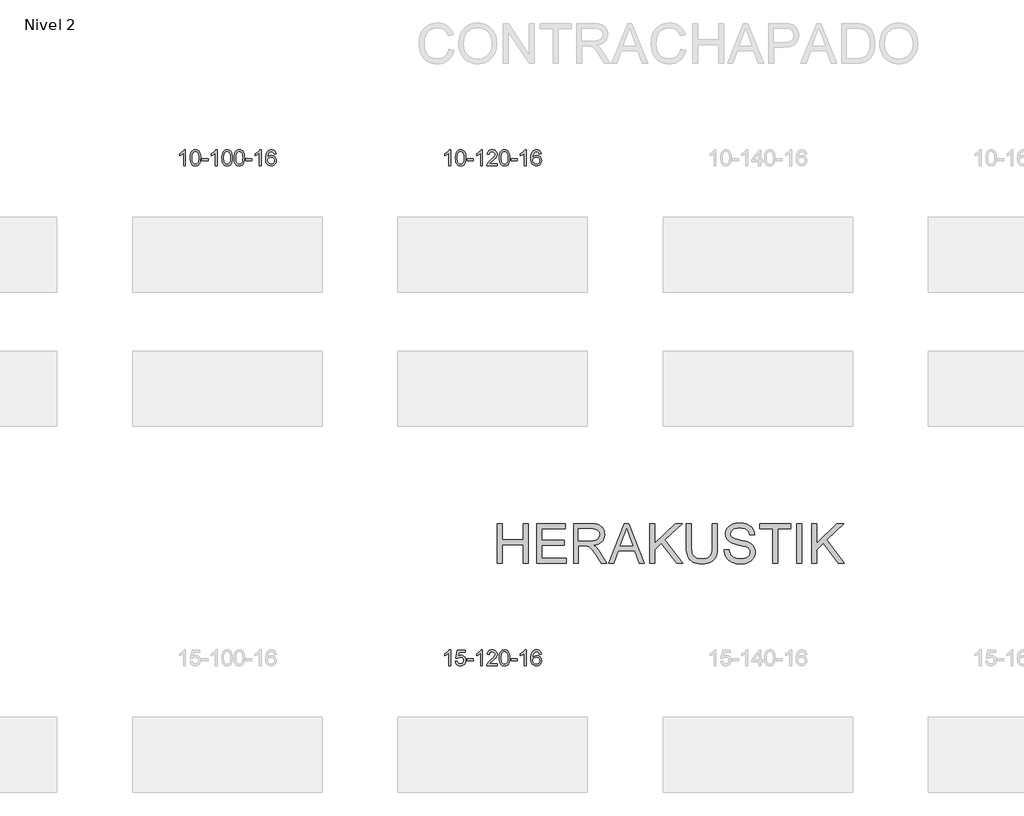
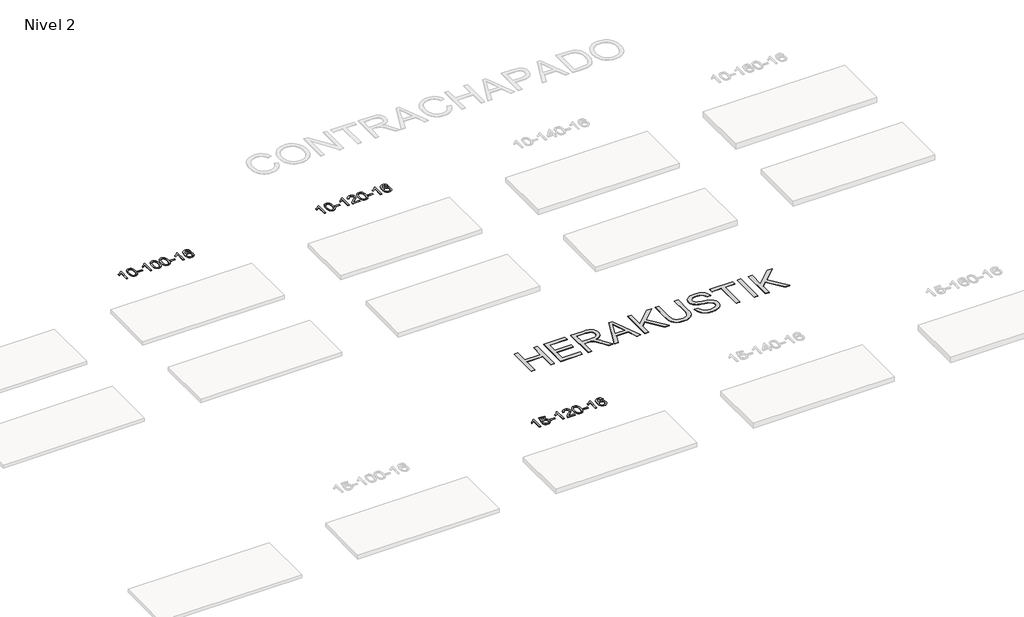
# One storey, part 33 of 51: 4 proxies.
"""IFC4 building model written with IfcOpenShell, lengths in millimetres."""

from ifc_helpers import new_model, si_unit, frame, origin, place, context, project, spatial, polyline, outline, extrude, element, save

model = new_model("IFC4")

# Units and contexts
model_context = context("Model", 3, world=origin())
ifc_project = project(units=[si_unit("LENGTHUNIT", "METRE", prefix="MILLI")], contexts=[model_context])

# Site, building, storey
site = spatial("IfcSite", under=ifc_project)
building = spatial("IfcBuilding", under=site)
storey = spatial("IfcBuildingStorey", under=building, Name="Nivel 2", Elevation=3000.0)

# Proxies
placement = place(None, origin())
element("IfcBuildingElementProxy", 1, Name="Texto de modelo 1", ObjectType="Texto de modelo 1", at=placement, inside=storey, context=model_context, shape_type="SweptSolid", body=[
    extrude(outline(polyline([(18100.6728146, -64430.3053468), (18050.4446595, -64430.3053468), (18050.4446595, -64117.1641925), (18029.4753858, -64134.1235525), (18002.8652548, -64151.058387), (17949.9883493, -64176.4177192), (17949.9883493, -64128.9364164), (17989.437562, -64107.4766333), (18023.6137993, -64081.9456229), (18050.5550241, -64054.7959316), (18068.299199, -64028.4801062), (18100.6728146, -64028.4801062), (18100.6728146, -64430.3053468)])), frame((0.0, 0.0, 3000.0), z_axis=(0.0, 0.0, 1.0), x_axis=(1.0, 0.0, 0.0)), (0.0, 0.0, 1.0), 10.0),
    extrude(outline(polyline([(18219.9646829, -64232.6300881), (18223.6557656, -64168.3120526), (18234.7290136, -64117.0170397), (18253.0740624, -64077.9602346), (18264.9321254, -64062.7268543), (18278.5805474, -64050.3568222), (18294.0653137, -64040.785759), (18311.4324096, -64033.9492852), (18351.8135899, -64028.4801062), (18382.7647285, -64031.7174678), (18410.4785054, -64041.4295525), (18433.6550711, -64057.2362155), (18450.9945758, -64078.7573122), (18464.0911749, -64105.8089016), (18474.5390235, -64138.2070427), (18481.3816286, -64179.3485125), (18483.662497, -64232.6300881), (18480.0082025, -64296.5802416), (18469.0453191, -64347.7526271), (18450.8106348, -64386.8462205), (18438.980163, -64402.125586), (18425.340938, -64414.5599974), (18409.8377776, -64424.19544), (18392.4154995, -64431.077899), (18351.8135899, -64436.5838662), (18324.1488639, -64434.1926333), (18299.6233976, -64427.0189343), (18278.2371909, -64415.0627695), (18259.9902439, -64398.3241387), (18242.479061, -64368.0658446), (18229.9710731, -64330.3640715), (18222.4662804, -64285.2188193), (18219.9646829, -64232.6300881)]), holes=[polyline([(18270.1928379, -64232.5319862), (18271.6643659, -64276.1965134), (18276.0789499, -64311.5407761), (18283.4365898, -64338.5647743), (18293.7372856, -64357.2685081), (18306.1962225, -64369.9941594), (18320.0285856, -64379.0839104), (18335.2343747, -64384.537761), (18351.8135899, -64386.3557111), (18368.3928052, -64384.5316296), (18383.5985943, -64379.0593849), (18397.4309573, -64369.9389771), (18409.8898942, -64357.1704062), (18420.1905901, -64338.4360156), (18427.54823, -64311.4181487), (18431.962814, -64276.1168056), (18433.4343419, -64232.5319862), (18432.0118649, -64190.0232217), (18427.7444337, -64155.3012927), (18420.6320485, -64128.3661993), (18410.6747092, -64109.2179414), (18398.4242387, -64095.8699564), (18384.4324602, -64086.3356813), (18368.6993735, -64080.6151163), (18351.2249787, -64078.7082613), (18334.7316026, -64080.3882558), (18319.7833309, -64085.4282391), (18306.3801635, -64093.8282113), (18294.5221006, -64105.5881724), (18283.8780482, -64126.4348188), (18276.2751536, -64154.5410033), (18271.7134169, -64189.9067257), (18270.1928379, -64232.5319862)])]), frame((0.0, 0.0, 3000.0), z_axis=(0.0, 0.0, 1.0), x_axis=(1.0, 0.0, 0.0)), (0.0, 0.0, 1.0), 10.0),
    extrude(outline(polyline([(18515.0550939, -64311.0134785), (18515.0550939, -64260.7853235), (18672.0180785, -64260.7853235), (18672.0180785, -64311.0134785), (18515.0550939, -64311.0134785)])), frame((0.0, 0.0, 3000.0), z_axis=(0.0, 0.0, 1.0), x_axis=(1.0, 0.0, 0.0)), (0.0, 0.0, 1.0), 10.0),
    extrude(outline(polyline([(18904.3232958, -64430.3053468), (18854.0951407, -64430.3053468), (18854.0951407, -64117.1641925), (18833.125867, -64134.1235525), (18806.515736, -64151.058387), (18753.6388305, -64176.4177192), (18753.6388305, -64128.9364164), (18793.0880432, -64107.4766333), (18827.2642805, -64081.9456229), (18854.2055053, -64054.7959316), (18871.9496802, -64028.4801062), (18904.3232958, -64028.4801062), (18904.3232958, -64430.3053468)])), frame((0.0, 0.0, 3000.0), z_axis=(0.0, 0.0, 1.0), x_axis=(1.0, 0.0, 0.0)), (0.0, 0.0, 1.0), 10.0),
    extrude(outline(polyline([(19023.6151641, -64232.6300881), (19027.3062467, -64168.3120526), (19038.3794948, -64117.0170397), (19056.7245436, -64077.9602346), (19068.5826066, -64062.7268543), (19082.2310286, -64050.3568222), (19097.7157949, -64040.785759), (19115.0828908, -64033.9492852), (19155.4640711, -64028.4801062), (19186.4152097, -64031.7174678), (19214.1289866, -64041.4295525), (19237.3055523, -64057.2362155), (19254.645057, -64078.7573122), (19267.7416561, -64105.8089016), (19278.1895047, -64138.2070427), (19285.0321098, -64179.3485125), (19287.3129782, -64232.6300881), (19283.6586837, -64296.5802416), (19272.6958003, -64347.7526271), (19254.461116, -64386.8462205), (19242.6306442, -64402.125586), (19228.9914192, -64414.5599974), (19213.4882588, -64424.19544), (19196.0659807, -64431.077899), (19155.4640711, -64436.5838662), (19127.7993451, -64434.1926333), (19103.2738788, -64427.0189343), (19081.8876721, -64415.0627695), (19063.6407251, -64398.3241387), (19046.1295422, -64368.0658446), (19033.6215543, -64330.3640715), (19026.1167616, -64285.2188193), (19023.6151641, -64232.6300881)]), holes=[polyline([(19073.8433191, -64232.5319862), (19075.3148471, -64276.1965134), (19079.7294311, -64311.5407761), (19087.087071, -64338.5647743), (19097.3877668, -64357.2685081), (19109.8467037, -64369.9941594), (19123.6790668, -64379.0839104), (19138.8848559, -64384.537761), (19155.4640711, -64386.3557111), (19172.0432864, -64384.5316296), (19187.2490755, -64379.0593849), (19201.0814385, -64369.9389771), (19213.5403754, -64357.1704062), (19223.8410713, -64338.4360156), (19231.1987112, -64311.4181487), (19235.6132951, -64276.1168056), (19237.0848231, -64232.5319862), (19235.6623461, -64190.0232217), (19231.3949149, -64155.3012927), (19224.2825297, -64128.3661993), (19214.3251904, -64109.2179414), (19202.0747199, -64095.8699564), (19188.0829414, -64086.3356813), (19172.3498547, -64080.6151163), (19154.8754599, -64078.7082613), (19138.3820838, -64080.3882558), (19123.4338121, -64085.4282391), (19110.0306447, -64093.8282113), (19098.1725818, -64105.5881724), (19087.5285294, -64126.4348188), (19079.9256348, -64154.5410033), (19075.3638981, -64189.9067257), (19073.8433191, -64232.5319862)])]), frame((0.0, 0.0, 3000.0), z_axis=(0.0, 0.0, 1.0), x_axis=(1.0, 0.0, 0.0)), (0.0, 0.0, 1.0), 10.0),
    extrude(outline(polyline([(19331.2626139, -64232.6300881), (19334.9536966, -64168.3120526), (19346.0269446, -64117.0170397), (19364.3719935, -64077.9602346), (19376.2300564, -64062.7268543), (19389.8784785, -64050.3568222), (19405.3632448, -64040.785759), (19422.7303406, -64033.9492852), (19463.111521, -64028.4801062), (19494.0626595, -64031.7174678), (19521.7764365, -64041.4295525), (19544.9530022, -64057.2362155), (19562.2925069, -64078.7573122), (19575.3891059, -64105.8089016), (19585.8369546, -64138.2070427), (19592.6795597, -64179.3485125), (19594.960428, -64232.6300881), (19591.3061336, -64296.5802416), (19580.3432501, -64347.7526271), (19562.1085659, -64386.8462205), (19550.278094, -64402.125586), (19536.6388691, -64414.5599974), (19521.1357087, -64424.19544), (19503.7134305, -64431.077899), (19463.111521, -64436.5838662), (19435.4467949, -64434.1926333), (19410.9213286, -64427.0189343), (19389.5351219, -64415.0627695), (19371.288175, -64398.3241387), (19353.776992, -64368.0658446), (19341.2690042, -64330.3640715), (19333.7642115, -64285.2188193), (19331.2626139, -64232.6300881)]), holes=[polyline([(19381.490769, -64232.5319862), (19382.962297, -64276.1965134), (19387.3768809, -64311.5407761), (19394.7345208, -64338.5647743), (19405.0352167, -64357.2685081), (19417.4941536, -64369.9941594), (19431.3265166, -64379.0839104), (19446.5323057, -64384.537761), (19463.111521, -64386.3557111), (19479.6907362, -64384.5316296), (19494.8965253, -64379.0593849), (19508.7288884, -64369.9389771), (19521.1878253, -64357.1704062), (19531.4885211, -64338.4360156), (19538.846161, -64311.4181487), (19543.260745, -64276.1168056), (19544.732273, -64232.5319862), (19543.3097959, -64190.0232217), (19539.0423648, -64155.3012927), (19531.9299795, -64128.3661993), (19521.9726402, -64109.2179414), (19509.7221698, -64095.8699564), (19495.7303912, -64086.3356813), (19479.9973045, -64080.6151163), (19462.5229098, -64078.7082613), (19446.0295337, -64080.3882558), (19431.0812619, -64085.4282391), (19417.6780946, -64093.8282113), (19405.8200316, -64105.5881724), (19395.1759792, -64126.4348188), (19387.5730846, -64154.5410033), (19383.0113479, -64189.9067257), (19381.490769, -64232.5319862)])]), frame((0.0, 0.0, 3000.0), z_axis=(0.0, 0.0, 1.0), x_axis=(1.0, 0.0, 0.0)), (0.0, 0.0, 1.0), 10.0),
    extrude(outline(polyline([(19626.353025, -64311.0134785), (19626.353025, -64260.7853235), (19783.3160096, -64260.7853235), (19783.3160096, -64311.0134785), (19626.353025, -64311.0134785)])), frame((0.0, 0.0, 3000.0), z_axis=(0.0, 0.0, 1.0), x_axis=(1.0, 0.0, 0.0)), (0.0, 0.0, 1.0), 10.0),
    extrude(outline(polyline([(20015.6212268, -64430.3053468), (19965.3930717, -64430.3053468), (19965.3930717, -64117.1641925), (19944.423798, -64134.1235525), (19917.813667, -64151.058387), (19864.9367616, -64176.4177192), (19864.9367616, -64128.9364164), (19904.3859742, -64107.4766333), (19938.5622115, -64081.9456229), (19965.5034363, -64054.7959316), (19983.2476112, -64028.4801062), (20015.6212268, -64028.4801062), (20015.6212268, -64430.3053468)])), frame((0.0, 0.0, 3000.0), z_axis=(0.0, 0.0, 1.0), x_axis=(1.0, 0.0, 0.0)), (0.0, 0.0, 1.0), 10.0),
    extrude(outline(polyline([(20392.3323899, -64135.2149358), (20342.1042348, -64141.4934552), (20334.0108309, -64116.6001068), (20323.0724729, -64099.6039586), (20300.2883147, -64083.9321856), (20272.746216, -64078.7082613), (20249.397972, -64081.7494191), (20227.4231541, -64090.8728926), (20208.5508078, -64110.0885955), (20193.1365522, -64136.539311), (20182.7254917, -64173.9529099), (20178.8627308, -64226.0572631), (20199.0104014, -64202.5496036), (20223.155723, -64185.9826511), (20249.949795, -64176.1602018), (20278.0437167, -64172.8860521), (20302.1767756, -64175.1240009), (20324.445899, -64181.8378473), (20344.851087, -64193.0275913), (20363.3923396, -64208.6932329), (20378.8004638, -64227.9028045), (20389.8062668, -64249.7243381), (20396.4097486, -64274.157834), (20398.6109092, -64301.203292), (20394.4661054, -64337.1698884), (20382.031694, -64370.5122599), (20362.3377445, -64398.7901226), (20336.4143266, -64419.5631926), (20305.4386626, -64432.3286978), (20270.5879749, -64436.5838662), (20240.6454462, -64433.7634376), (20213.6030539, -64425.3021517), (20189.4607979, -64411.2000086), (20168.2186784, -64391.4570081), (20150.9006335, -64365.2392846), (20138.5306014, -64331.7129721), (20131.1085821, -64290.8780707), (20128.6345757, -64242.7345802), (20131.3814279, -64188.7601602), (20139.6219846, -64142.695203), (20153.3562458, -64104.5397087), (20172.5842114, -64074.2936774), (20193.4247264, -64054.25024), (20217.5884421, -64039.933499), (20245.0753585, -64031.3434544), (20275.8854756, -64028.4801062), (20299.0191218, -64030.2520712), (20319.9577387, -64035.567966), (20338.7013263, -64044.4277907), (20355.2498847, -64056.8315453), (20369.1558242, -64072.3622969), (20379.9715548, -64090.6031125), (20387.6970767, -64111.5539921), (20392.3323899, -64135.2149358)]), holes=[polyline([(20178.8627308, -64300.4184771), (20181.7689985, -64322.6753378), (20190.4878018, -64343.9266544), (20204.0258593, -64362.1981268), (20221.3898894, -64375.515455), (20242.3469004, -64383.6456471), (20266.6639003, -64386.3557111), (20299.8100681, -64380.7393794), (20313.7252045, -64373.7189646), (20325.8683761, -64363.890384), (20335.7184165, -64351.6521763), (20342.7541596, -64337.4028803), (20348.3827542, -64302.8710237), (20342.827736, -64269.7248559), (20335.8839634, -64256.1040251), (20326.1626817, -64244.4513629), (20313.9827219, -64235.1163572), (20299.6629153, -64228.4484961), (20264.6037611, -64223.1142072), (20231.5066443, -64228.4484961), (20203.8296555, -64244.4513629), (20192.9066259, -64255.9507409), (20185.104462, -64269.1117193), (20180.4231636, -64283.934298), (20178.8627308, -64300.4184771)])]), frame((0.0, 0.0, 3000.0), z_axis=(0.0, 0.0, 1.0), x_axis=(1.0, 0.0, 0.0)), (0.0, 0.0, 1.0), 10.0),
])
element("IfcBuildingElementProxy", 2, Name="Texto de modelo 1", ObjectType="Texto de modelo 1", at=placement, inside=storey, context=model_context, shape_type="SweptSolid", body=[
    extrude(outline(polyline([(24815.6133494, -64430.3053468), (24765.3851943, -64430.3053468), (24765.3851943, -64117.1641925), (24744.4159206, -64134.1235525), (24717.8057896, -64151.058387), (24664.9288842, -64176.4177192), (24664.9288842, -64128.9364164), (24704.3780968, -64107.4766333), (24738.5543341, -64081.9456229), (24765.4955589, -64054.7959316), (24783.2397338, -64028.4801062), (24815.6133494, -64028.4801062), (24815.6133494, -64430.3053468)])), frame((0.0, 0.0, 3000.0), z_axis=(0.0, 0.0, 1.0), x_axis=(1.0, 0.0, 0.0)), (0.0, 0.0, 1.0), 10.0),
    extrude(outline(polyline([(24934.9052177, -64232.6300881), (24938.5963004, -64168.3120526), (24949.6695484, -64117.0170397), (24968.0145973, -64077.9602346), (24979.8726602, -64062.7268543), (24993.5210823, -64050.3568222), (25009.0058486, -64040.785759), (25026.3729444, -64033.9492852), (25066.7541248, -64028.4801062), (25097.7052633, -64031.7174678), (25125.4190403, -64041.4295525), (25148.595606, -64057.2362155), (25165.9351107, -64078.7573122), (25179.0317097, -64105.8089016), (25189.4795584, -64138.2070427), (25196.3221635, -64179.3485125), (25198.6030318, -64232.6300881), (25194.9487373, -64296.5802416), (25183.9858539, -64347.7526271), (25165.7511697, -64386.8462205), (25153.9206978, -64402.125586), (25140.2814729, -64414.5599974), (25124.7783125, -64424.19544), (25107.3560343, -64431.077899), (25066.7541248, -64436.5838662), (25039.0893987, -64434.1926333), (25014.5639324, -64427.0189343), (24993.1777257, -64415.0627695), (24974.9307788, -64398.3241387), (24957.4195958, -64368.0658446), (24944.911608, -64330.3640715), (24937.4068153, -64285.2188193), (24934.9052177, -64232.6300881)]), holes=[polyline([(24985.1333728, -64232.5319862), (24986.6049007, -64276.1965134), (24991.0194847, -64311.5407761), (24998.3771246, -64338.5647743), (25008.6778205, -64357.2685081), (25021.1367574, -64369.9941594), (25034.9691204, -64379.0839104), (25050.1749095, -64384.537761), (25066.7541248, -64386.3557111), (25083.33334, -64384.5316296), (25098.5391291, -64379.0593849), (25112.3714922, -64369.9389771), (25124.8304291, -64357.1704062), (25135.1311249, -64338.4360156), (25142.4887648, -64311.4181487), (25146.9033488, -64276.1168056), (25148.3748768, -64232.5319862), (25146.9523997, -64190.0232217), (25142.6849686, -64155.3012927), (25135.5725833, -64128.3661993), (25125.615244, -64109.2179414), (25113.3647735, -64095.8699564), (25099.372995, -64086.3356813), (25083.6399083, -64080.6151163), (25066.1655136, -64078.7082613), (25049.6721375, -64080.3882558), (25034.7238657, -64085.4282391), (25021.3206984, -64093.8282113), (25009.4626354, -64105.5881724), (24998.818583, -64126.4348188), (24991.2156884, -64154.5410033), (24986.6539517, -64189.9067257), (24985.1333728, -64232.5319862)])]), frame((0.0, 0.0, 3000.0), z_axis=(0.0, 0.0, 1.0), x_axis=(1.0, 0.0, 0.0)), (0.0, 0.0, 1.0), 10.0),
    extrude(outline(polyline([(25229.9956288, -64311.0134785), (25229.9956288, -64260.7853235), (25386.9586134, -64260.7853235), (25386.9586134, -64311.0134785), (25229.9956288, -64311.0134785)])), frame((0.0, 0.0, 3000.0), z_axis=(0.0, 0.0, 1.0), x_axis=(1.0, 0.0, 0.0)), (0.0, 0.0, 1.0), 10.0),
    extrude(outline(polyline([(25619.2638306, -64430.3053468), (25569.0356755, -64430.3053468), (25569.0356755, -64117.1641925), (25548.0664018, -64134.1235525), (25521.4562708, -64151.058387), (25468.5793654, -64176.4177192), (25468.5793654, -64128.9364164), (25508.028578, -64107.4766333), (25542.2048153, -64081.9456229), (25569.1460401, -64054.7959316), (25586.890215, -64028.4801062), (25619.2638306, -64028.4801062), (25619.2638306, -64430.3053468)])), frame((0.0, 0.0, 3000.0), z_axis=(0.0, 0.0, 1.0), x_axis=(1.0, 0.0, 0.0)), (0.0, 0.0, 1.0), 10.0),
    extrude(outline(polyline([(25995.9749936, -64380.0771918), (25995.9749936, -64430.3053468), (25732.2771795, -64430.3053468), (25733.3808255, -64412.6224856), (25737.6727821, -64395.6753884), (25750.0581426, -64368.6115362), (25768.1824622, -64342.3570245), (25794.4001858, -64314.8762395), (25831.0657579, -64284.1335674), (25885.2670386, -64235.990077), (25917.7878069, -64200.4526763), (25934.0481911, -64171.6107278), (25939.4683192, -64143.5535943), (25934.3547595, -64118.4027286), (25919.0140803, -64097.4947685), (25895.4328444, -64083.4048881), (25865.5976146, -64078.7082613), (25834.2663313, -64083.2945235), (25809.924806, -64097.0533101), (25794.2162448, -64118.9055007), (25788.783854, -64147.7719745), (25738.5556989, -64141.4934552), (25742.8752466, -64115.5639059), (25750.7325929, -64092.9085063), (25762.1277377, -64073.5272565), (25777.060681, -64057.4201565), (25795.1880664, -64044.7588845), (25816.1665371, -64035.7151188), (25839.9960934, -64030.2888594), (25866.6767351, -64028.4801062), (25893.5965001, -64030.4911945), (25917.554815, -64036.5244592), (25938.5516799, -64046.5799004), (25956.5870947, -64060.6575181), (25971.0724483, -64077.7149799), (25981.4191294, -64096.7099536), (25987.627138, -64117.6424391), (25989.6964743, -64140.5124365), (25987.4646568, -64164.5351308), (25980.7692045, -64188.1408921), (25968.8866161, -64212.1513237), (25951.0933902, -64237.3880286), (25922.7296884, -64267.517564), (25879.135672, -64306.2064871), (25821.3536733, -64354.5216558), (25798.6921424, -64380.0771918), (25995.9749936, -64380.0771918)])), frame((0.0, 0.0, 3000.0), z_axis=(0.0, 0.0, 1.0), x_axis=(1.0, 0.0, 0.0)), (0.0, 0.0, 1.0), 10.0),
    extrude(outline(polyline([(26046.2031487, -64232.6300881), (26049.8942314, -64168.3120526), (26060.9674795, -64117.0170397), (26079.3125283, -64077.9602346), (26091.1705913, -64062.7268543), (26104.8190133, -64050.3568222), (26120.3037796, -64040.785759), (26137.6708755, -64033.9492852), (26178.0520558, -64028.4801062), (26209.0031943, -64031.7174678), (26236.7169713, -64041.4295525), (26259.893537, -64057.2362155), (26277.2330417, -64078.7573122), (26290.3296407, -64105.8089016), (26300.7774894, -64138.2070427), (26307.6200945, -64179.3485125), (26309.9009629, -64232.6300881), (26306.2466684, -64296.5802416), (26295.2837849, -64347.7526271), (26277.0491007, -64386.8462205), (26265.2186289, -64402.125586), (26251.5794039, -64414.5599974), (26236.0762435, -64424.19544), (26218.6539653, -64431.077899), (26178.0520558, -64436.5838662), (26150.3873298, -64434.1926333), (26125.8618634, -64427.0189343), (26104.4756568, -64415.0627695), (26086.2287098, -64398.3241387), (26068.7175268, -64368.0658446), (26056.209539, -64330.3640715), (26048.7047463, -64285.2188193), (26046.2031487, -64232.6300881)]), holes=[polyline([(26096.4313038, -64232.5319862), (26097.9028318, -64276.1965134), (26102.3174157, -64311.5407761), (26109.6750556, -64338.5647743), (26119.9757515, -64357.2685081), (26132.4346884, -64369.9941594), (26146.2670514, -64379.0839104), (26161.4728405, -64384.537761), (26178.0520558, -64386.3557111), (26194.631271, -64384.5316296), (26209.8370602, -64379.0593849), (26223.6694232, -64369.9389771), (26236.1283601, -64357.1704062), (26246.429056, -64338.4360156), (26253.7866959, -64311.4181487), (26258.2012798, -64276.1168056), (26259.6728078, -64232.5319862), (26258.2503307, -64190.0232217), (26253.9828996, -64155.3012927), (26246.8705144, -64128.3661993), (26236.913175, -64109.2179414), (26224.6627046, -64095.8699564), (26210.670926, -64086.3356813), (26194.9378394, -64080.6151163), (26177.4634446, -64078.7082613), (26160.9700685, -64080.3882558), (26146.0217967, -64085.4282391), (26132.6186294, -64093.8282113), (26120.7605664, -64105.5881724), (26110.116514, -64126.4348188), (26102.5136194, -64154.5410033), (26097.9518827, -64189.9067257), (26096.4313038, -64232.5319862)])]), frame((0.0, 0.0, 3000.0), z_axis=(0.0, 0.0, 1.0), x_axis=(1.0, 0.0, 0.0)), (0.0, 0.0, 1.0), 10.0),
    extrude(outline(polyline([(26341.2935598, -64311.0134785), (26341.2935598, -64260.7853235), (26498.2565444, -64260.7853235), (26498.2565444, -64311.0134785), (26341.2935598, -64311.0134785)])), frame((0.0, 0.0, 3000.0), z_axis=(0.0, 0.0, 1.0), x_axis=(1.0, 0.0, 0.0)), (0.0, 0.0, 1.0), 10.0),
    extrude(outline(polyline([(26730.5617616, -64430.3053468), (26680.3336065, -64430.3053468), (26680.3336065, -64117.1641925), (26659.3643328, -64134.1235525), (26632.7542018, -64151.058387), (26579.8772964, -64176.4177192), (26579.8772964, -64128.9364164), (26619.326509, -64107.4766333), (26653.5027464, -64081.9456229), (26680.4439711, -64054.7959316), (26698.188146, -64028.4801062), (26730.5617616, -64028.4801062), (26730.5617616, -64430.3053468)])), frame((0.0, 0.0, 3000.0), z_axis=(0.0, 0.0, 1.0), x_axis=(1.0, 0.0, 0.0)), (0.0, 0.0, 1.0), 10.0),
    extrude(outline(polyline([(27107.2729247, -64135.2149358), (27057.0447696, -64141.4934552), (27048.9513657, -64116.6001068), (27038.0130077, -64099.6039586), (27015.2288495, -64083.9321856), (26987.6867508, -64078.7082613), (26964.3385068, -64081.7494191), (26942.363689, -64090.8728926), (26923.4913426, -64110.0885955), (26908.077087, -64136.539311), (26897.6660266, -64173.9529099), (26893.8032656, -64226.0572631), (26913.9509362, -64202.5496036), (26938.0962578, -64185.9826511), (26964.8903298, -64176.1602018), (26992.9842515, -64172.8860521), (27017.1173104, -64175.1240009), (27039.3864338, -64181.8378473), (27059.7916218, -64193.0275913), (27078.3328744, -64208.6932329), (27093.7409986, -64227.9028045), (27104.7468016, -64249.7243381), (27111.3502835, -64274.157834), (27113.5514441, -64301.203292), (27109.4066402, -64337.1698884), (27096.9722288, -64370.5122599), (27077.2782793, -64398.7901226), (27051.3548614, -64419.5631926), (27020.3791974, -64432.3286978), (26985.5285097, -64436.5838662), (26955.585981, -64433.7634376), (26928.5435887, -64425.3021517), (26904.4013328, -64411.2000086), (26883.1592132, -64391.4570081), (26865.8411683, -64365.2392846), (26853.4711362, -64331.7129721), (26846.0491169, -64290.8780707), (26843.5751105, -64242.7345802), (26846.3219628, -64188.7601602), (26854.5625195, -64142.695203), (26868.2967806, -64104.5397087), (26887.5247462, -64074.2936774), (26908.3652612, -64054.25024), (26932.528977, -64039.933499), (26960.0158934, -64031.3434544), (26990.8260105, -64028.4801062), (27013.9596566, -64030.2520712), (27034.8982735, -64035.567966), (27053.6418611, -64044.4277907), (27070.1904196, -64056.8315453), (27084.096359, -64072.3622969), (27094.9120896, -64090.6031125), (27102.6376115, -64111.5539921), (27107.2729247, -64135.2149358)]), holes=[polyline([(26893.8032656, -64300.4184771), (26896.7095334, -64322.6753378), (26905.4283367, -64343.9266544), (26918.9663941, -64362.1981268), (26936.3304242, -64375.515455), (26957.2874352, -64383.6456471), (26981.6044351, -64386.3557111), (27014.7506029, -64380.7393794), (27028.6657394, -64373.7189646), (27040.8089109, -64363.890384), (27050.6589513, -64351.6521763), (27057.6946945, -64337.4028803), (27063.323289, -64302.8710237), (27057.7682709, -64269.7248559), (27050.8244982, -64256.1040251), (27041.1032165, -64244.4513629), (27028.9232568, -64235.1163572), (27014.6034501, -64228.4484961), (26979.5442959, -64223.1142072), (26946.4471791, -64228.4484961), (26918.7701903, -64244.4513629), (26907.8471608, -64255.9507409), (26900.0449968, -64269.1117193), (26895.3636984, -64283.934298), (26893.8032656, -64300.4184771)])]), frame((0.0, 0.0, 3000.0), z_axis=(0.0, 0.0, 1.0), x_axis=(1.0, 0.0, 0.0)), (0.0, 0.0, 1.0), 10.0),
])
element("IfcBuildingElementProxy", 3, Name="Texto de modelo 1", ObjectType="Texto de modelo 1", at=placement, inside=storey, context=model_context, shape_type="SweptSolid", body=[
    extrude(outline(polyline([(24815.6133494, -77088.6860497), (24765.3851943, -77088.6860497), (24765.3851943, -76775.5448954), (24744.4159206, -76792.5042554), (24717.8057896, -76809.4390899), (24664.9288842, -76834.7984221), (24664.9288842, -76787.3171193), (24704.3780968, -76765.8573362), (24738.5543341, -76740.3263258), (24765.4955589, -76713.1766345), (24783.2397338, -76686.8608091), (24815.6133494, -76686.8608091), (24815.6133494, -77088.6860497)])), frame((0.0, 0.0, 3000.0), z_axis=(0.0, 0.0, 1.0), x_axis=(1.0, 0.0, 0.0)), (0.0, 0.0, 1.0), 10.0),
    extrude(outline(polyline([(24934.9052177, -76981.9512202), (24985.1333728, -76975.6727008), (24994.3549481, -77005.8267617), (25010.443654, -77027.4214348), (25033.3259141, -77040.4076692), (25062.928152, -77044.736414), (25082.0580158, -77043.2311636), (25098.9315366, -77038.7154121), (25113.5487145, -77031.1891596), (25125.9095496, -77020.6524061), (25135.7381302, -77007.6263178), (25142.758545, -76992.6320608), (25148.3748768, -76956.7390408), (25143.1141642, -76922.9429482), (25136.5382736, -76909.024746), (25127.3320266, -76897.0931066), (25115.4647666, -76887.5220434), (25100.9058366, -76880.6855697), (25063.7129669, -76875.2163907), (25039.3469161, -76877.3991572), (25019.6161784, -76883.9474567), (25003.8585663, -76893.9783724), (24991.4118921, -76906.6089876), (24941.1837371, -76900.3304682), (24985.1333728, -76693.1393285), (25179.7674737, -76693.1393285), (25179.7674737, -76743.3674836), (25025.747545, -76743.3674836), (25004.2632365, -76854.0263877), (25021.9890173, -76841.3221962), (25040.1439938, -76832.2477736), (25058.7281659, -76826.8031201), (25077.7415337, -76824.9882356), (25102.2026207, -76827.2384471), (25124.6710135, -76833.9890817), (25145.1467122, -76845.2401394), (25163.6297168, -76860.9916202), (25178.9305421, -76880.2808995), (25189.8597031, -76902.1453527), (25196.4171996, -76926.5849799), (25198.6030318, -76953.5997811), (25196.6348632, -76979.6213009), (25190.7303571, -77003.8279362), (25180.8895138, -77026.219687), (25167.112333, -77046.7965532), (25146.2411612, -77067.8700602), (25121.8873731, -77082.9225651), (25094.0509688, -77091.9540681), (25062.7319483, -77094.9645691), (25036.811596, -77093.030123), (25013.3989727, -77087.2267845), (24992.4940784, -77077.5545537), (24974.0969129, -77064.0134306), (24958.7899562, -77047.2778655), (24947.1556881, -77028.0223087), (24939.1941086, -77006.2467603), (24934.9052177, -76981.9512202)])), frame((0.0, 0.0, 3000.0), z_axis=(0.0, 0.0, 1.0), x_axis=(1.0, 0.0, 0.0)), (0.0, 0.0, 1.0), 10.0),
    extrude(outline(polyline([(25229.9956288, -76969.3941814), (25229.9956288, -76919.1660264), (25386.9586134, -76919.1660264), (25386.9586134, -76969.3941814), (25229.9956288, -76969.3941814)])), frame((0.0, 0.0, 3000.0), z_axis=(0.0, 0.0, 1.0), x_axis=(1.0, 0.0, 0.0)), (0.0, 0.0, 1.0), 10.0),
    extrude(outline(polyline([(25619.2638306, -77088.6860497), (25569.0356755, -77088.6860497), (25569.0356755, -76775.5448954), (25548.0664018, -76792.5042554), (25521.4562708, -76809.4390899), (25468.5793654, -76834.7984221), (25468.5793654, -76787.3171193), (25508.028578, -76765.8573362), (25542.2048153, -76740.3263258), (25569.1460401, -76713.1766345), (25586.890215, -76686.8608091), (25619.2638306, -76686.8608091), (25619.2638306, -77088.6860497)])), frame((0.0, 0.0, 3000.0), z_axis=(0.0, 0.0, 1.0), x_axis=(1.0, 0.0, 0.0)), (0.0, 0.0, 1.0), 10.0),
    extrude(outline(polyline([(25995.9749936, -77038.4578947), (25995.9749936, -77088.6860497), (25732.2771795, -77088.6860497), (25733.3808255, -77071.0031885), (25737.6727821, -77054.0560913), (25750.0581426, -77026.9922391), (25768.1824622, -77000.7377274), (25794.4001858, -76973.2569424), (25831.0657579, -76942.5142703), (25885.2670386, -76894.3707799), (25917.7878069, -76858.8333792), (25934.0481911, -76829.9914307), (25939.4683192, -76801.9342972), (25934.3547595, -76776.7834315), (25919.0140803, -76755.8754714), (25895.4328444, -76741.785591), (25865.5976146, -76737.0889642), (25834.2663313, -76741.6752264), (25809.924806, -76755.434013), (25794.2162448, -76777.2862036), (25788.783854, -76806.1526774), (25738.5556989, -76799.8741581), (25742.8752466, -76773.9446088), (25750.7325929, -76751.2892092), (25762.1277377, -76731.9079594), (25777.060681, -76715.8008594), (25795.1880664, -76703.1395874), (25816.1665371, -76694.0958217), (25839.9960934, -76688.6695623), (25866.6767351, -76686.8608091), (25893.5965001, -76688.8718974), (25917.554815, -76694.9051621), (25938.5516799, -76704.9606033), (25956.5870947, -76719.038221), (25971.0724483, -76736.0956828), (25981.4191294, -76755.0906565), (25987.627138, -76776.023142), (25989.6964743, -76798.8931394), (25987.4646568, -76822.9158337), (25980.7692045, -76846.521595), (25968.8866161, -76870.5320266), (25951.0933902, -76895.7687315), (25922.7296884, -76925.8982669), (25879.135672, -76964.58719), (25821.3536733, -77012.9023587), (25798.6921424, -77038.4578947), (25995.9749936, -77038.4578947)])), frame((0.0, 0.0, 3000.0), z_axis=(0.0, 0.0, 1.0), x_axis=(1.0, 0.0, 0.0)), (0.0, 0.0, 1.0), 10.0),
    extrude(outline(polyline([(26046.2031487, -76891.010791), (26049.8942314, -76826.6927555), (26060.9674795, -76775.3977426), (26079.3125283, -76736.3409375), (26091.1705913, -76721.1075572), (26104.8190133, -76708.7375251), (26120.3037796, -76699.1664619), (26137.6708755, -76692.3299881), (26178.0520558, -76686.8608091), (26209.0031943, -76690.0981707), (26236.7169713, -76699.8102554), (26259.893537, -76715.6169184), (26277.2330417, -76737.1380151), (26290.3296407, -76764.1896045), (26300.7774894, -76796.5877456), (26307.6200945, -76837.7292154), (26309.9009629, -76891.010791), (26306.2466684, -76954.9609445), (26295.2837849, -77006.13333), (26277.0491007, -77045.2269234), (26265.2186289, -77060.5062889), (26251.5794039, -77072.9407003), (26236.0762435, -77082.5761429), (26218.6539653, -77089.4586019), (26178.0520558, -77094.9645691), (26150.3873298, -77092.5733362), (26125.8618634, -77085.3996372), (26104.4756568, -77073.4434724), (26086.2287098, -77056.7048416), (26068.7175268, -77026.4465475), (26056.209539, -76988.7447744), (26048.7047463, -76943.5995222), (26046.2031487, -76891.010791)]), holes=[polyline([(26096.4313038, -76890.9126891), (26097.9028318, -76934.5772163), (26102.3174157, -76969.921479), (26109.6750556, -76996.9454772), (26119.9757515, -77015.649211), (26132.4346884, -77028.3748623), (26146.2670514, -77037.4646133), (26161.4728405, -77042.9184639), (26178.0520558, -77044.736414), (26194.631271, -77042.9123325), (26209.8370602, -77037.4400878), (26223.6694232, -77028.31968), (26236.1283601, -77015.5511091), (26246.429056, -76996.8167185), (26253.7866959, -76969.7988516), (26258.2012798, -76934.4975085), (26259.6728078, -76890.9126891), (26258.2503307, -76848.4039246), (26253.9828996, -76813.6819956), (26246.8705144, -76786.7469022), (26236.913175, -76767.5986443), (26224.6627046, -76754.2506593), (26210.670926, -76744.7163842), (26194.9378394, -76738.9958192), (26177.4634446, -76737.0889642), (26160.9700685, -76738.7689587), (26146.0217967, -76743.808942), (26132.6186294, -76752.2089142), (26120.7605664, -76763.9688753), (26110.116514, -76784.8155217), (26102.5136194, -76812.9217062), (26097.9518827, -76848.2874286), (26096.4313038, -76890.9126891)])]), frame((0.0, 0.0, 3000.0), z_axis=(0.0, 0.0, 1.0), x_axis=(1.0, 0.0, 0.0)), (0.0, 0.0, 1.0), 10.0),
    extrude(outline(polyline([(26341.2935598, -76969.3941814), (26341.2935598, -76919.1660264), (26498.2565444, -76919.1660264), (26498.2565444, -76969.3941814), (26341.2935598, -76969.3941814)])), frame((0.0, 0.0, 3000.0), z_axis=(0.0, 0.0, 1.0), x_axis=(1.0, 0.0, 0.0)), (0.0, 0.0, 1.0), 10.0),
    extrude(outline(polyline([(26730.5617616, -77088.6860497), (26680.3336065, -77088.6860497), (26680.3336065, -76775.5448954), (26659.3643328, -76792.5042554), (26632.7542018, -76809.4390899), (26579.8772964, -76834.7984221), (26579.8772964, -76787.3171193), (26619.326509, -76765.8573362), (26653.5027464, -76740.3263258), (26680.4439711, -76713.1766345), (26698.188146, -76686.8608091), (26730.5617616, -76686.8608091), (26730.5617616, -77088.6860497)])), frame((0.0, 0.0, 3000.0), z_axis=(0.0, 0.0, 1.0), x_axis=(1.0, 0.0, 0.0)), (0.0, 0.0, 1.0), 10.0),
    extrude(outline(polyline([(27107.2729247, -76793.5956387), (27057.0447696, -76799.8741581), (27048.9513657, -76774.9808097), (27038.0130077, -76757.9846615), (27015.2288495, -76742.3128885), (26987.6867508, -76737.0889642), (26964.3385068, -76740.130122), (26942.363689, -76749.2535955), (26923.4913426, -76768.4692984), (26908.077087, -76794.9200139), (26897.6660266, -76832.3336128), (26893.8032656, -76884.437966), (26913.9509362, -76860.9303065), (26938.0962578, -76844.363354), (26964.8903298, -76834.5409047), (26992.9842515, -76831.266755), (27017.1173104, -76833.5047038), (27039.3864338, -76840.2185502), (27059.7916218, -76851.4082942), (27078.3328744, -76867.0739358), (27093.7409986, -76886.2835074), (27104.7468016, -76908.105041), (27111.3502835, -76932.5385369), (27113.5514441, -76959.5839949), (27109.4066402, -76995.5505913), (27096.9722288, -77028.8929628), (27077.2782793, -77057.1708255), (27051.3548614, -77077.9438955), (27020.3791974, -77090.7094007), (26985.5285097, -77094.9645691), (26955.585981, -77092.1441405), (26928.5435887, -77083.6828546), (26904.4013328, -77069.5807115), (26883.1592132, -77049.837711), (26865.8411683, -77023.6199875), (26853.4711362, -76990.093675), (26846.0491169, -76949.2587736), (26843.5751105, -76901.1152831), (26846.3219628, -76847.1408631), (26854.5625195, -76801.0759059), (26868.2967806, -76762.9204116), (26887.5247462, -76732.6743803), (26908.3652612, -76712.6309429), (26932.528977, -76698.3142019), (26960.0158934, -76689.7241573), (26990.8260105, -76686.8608091), (27013.9596566, -76688.6327741), (27034.8982735, -76693.9486689), (27053.6418611, -76702.8084936), (27070.1904196, -76715.2122482), (27084.096359, -76730.7429998), (27094.9120896, -76748.9838154), (27102.6376115, -76769.934695), (27107.2729247, -76793.5956387)]), holes=[polyline([(26893.8032656, -76958.79918), (26896.7095334, -76981.0560407), (26905.4283367, -77002.3073573), (26918.9663941, -77020.5788297), (26936.3304242, -77033.8961579), (26957.2874352, -77042.02635), (26981.6044351, -77044.736414), (27014.7506029, -77039.1200823), (27028.6657394, -77032.0996675), (27040.8089109, -77022.2710869), (27050.6589513, -77010.0328792), (27057.6946945, -76995.7835832), (27063.323289, -76961.2517266), (27057.7682709, -76928.1055588), (27050.8244982, -76914.484728), (27041.1032165, -76902.8320658), (27028.9232568, -76893.4970601), (27014.6034501, -76886.829199), (26979.5442959, -76881.4949101), (26946.4471791, -76886.829199), (26918.7701903, -76902.8320658), (26907.8471608, -76914.3314438), (26900.0449968, -76927.4924222), (26895.3636984, -76942.3150009), (26893.8032656, -76958.79918)])]), frame((0.0, 0.0, 3000.0), z_axis=(0.0, 0.0, 1.0), x_axis=(1.0, 0.0, 0.0)), (0.0, 0.0, 1.0), 10.0),
])
element("IfcBuildingElementProxy", 4, Name="Texto de modelo 2", ObjectType="Texto de modelo 2", at=placement, inside=storey, context=model_context, shape_type="SweptSolid", body=[
    extrude(outline(polyline([(25992.9530578, -74497.1528703), (25992.9530578, -73492.5897688), (26118.5234455, -73492.5897688), (26118.5234455, -73900.6935288), (26652.1975932, -73900.6935288), (26652.1975932, -73492.5897688), (26777.7679809, -73492.5897688), (26777.7679809, -74497.1528703), (26652.1975932, -74497.1528703), (26652.1975932, -74026.2639165), (26118.5234455, -74026.2639165), (26118.5234455, -74497.1528703), (25992.9530578, -74497.1528703)])), frame((0.0, 0.0, 3000.0), z_axis=(0.0, 0.0, 1.0), x_axis=(1.0, 0.0, 0.0)), (0.0, 0.0, 1.0), 10.0),
    extrude(outline(polyline([(26997.5161593, -74497.1528703), (26997.5161593, -73492.5897688), (27719.5458885, -73492.5897688), (27719.5458885, -73618.1601565), (27123.086547, -73618.1601565), (27123.086547, -73916.3898273), (27688.1532916, -73916.3898273), (27688.1532916, -74041.960215), (27123.086547, -74041.960215), (27123.086547, -74371.5824827), (27735.242187, -74371.5824827), (27735.242187, -74497.1528703), (26997.5161593, -74497.1528703)])), frame((0.0, 0.0, 3000.0), z_axis=(0.0, 0.0, 1.0), x_axis=(1.0, 0.0, 0.0)), (0.0, 0.0, 1.0), 10.0),
    extrude(outline(polyline([(27923.5977685, -74497.1528703), (27923.5977685, -73492.5897688), (28356.4722495, -73492.5897688), (28418.6059856, -73494.2835589), (28472.8149305, -73499.3649289), (28519.099084, -73507.833879), (28557.4584462, -73519.6904092), (28590.1233017, -73535.8465601), (28619.323935, -73557.2143727), (28645.0603463, -73583.7938468), (28667.3325354, -73615.5849826), (28685.3051037, -73650.8786615), (28698.1426525, -73687.9657651), (28705.8451818, -73726.8462935), (28708.4126915, -73767.5202466), (28704.159056, -73819.1156964), (28691.3981493, -73866.4805033), (28670.1299714, -73909.6146672), (28640.3545224, -73948.5181882), (28601.6885919, -73981.9494645), (28553.7489694, -74008.6668944), (28496.5356549, -74028.6704779), (28430.0486485, -74041.960215), (28471.435373, -74068.9995416), (28501.4177556, -74095.6709863), (28552.8599213, -74156.6780838), (28603.1984409, -74224.9201939), (28770.7073761, -74497.1528703), (28624.7808513, -74497.1528703), (28494.0601157, -74288.9316611), (28441.7595587, -74209.4691501), (28399.6370703, -74151.0985402), (28364.5349966, -74110.9074322), (28333.2956838, -74085.9834271), (28303.71184, -74071.3601178), (28273.5761732, -74062.0710974), (28200.7355382, -74057.6565134), (28049.1681562, -74057.6565134), (28049.1681562, -74497.1528703), (27923.5977685, -74497.1528703)]), holes=[polyline([(28049.1681562, -73932.0861258), (28330.2300005, -73932.0861258), (28410.9494416, -73927.640885), (28473.5813513, -73914.3051627), (28498.7659395, -73904.0811089), (28520.7315603, -73891.1899106), (28539.4782137, -73875.6315679), (28555.0058996, -73857.4060807), (28567.1843264, -73837.4101615), (28575.8832028, -73816.5405224), (28581.1025286, -73794.7971637), (28582.8423039, -73772.1800852), (28579.5237017, -73740.0670527), (28569.5678952, -73710.927733), (28552.9748844, -73684.7621261), (28529.7446692, -73661.570232), (28499.3407552, -73642.578324), (28461.2266476, -73629.0126754), (28415.4023466, -73620.8732862), (28361.8678521, -73618.1601565), (28049.1681562, -73618.1601565), (28049.1681562, -73932.0861258)])]), frame((0.0, 0.0, 3000.0), z_axis=(0.0, 0.0, 1.0), x_axis=(1.0, 0.0, 0.0)), (0.0, 0.0, 1.0), 10.0),
    extrude(outline(polyline([(28811.1743955, -74497.1528703), (29212.1657703, -73492.5897688), (29319.0968035, -73492.5897688), (29720.0881783, -74497.1528703), (29587.4054054, -74497.1528703), (29472.3809682, -74183.2269011), (29058.636351, -74183.2269011), (28943.8571685, -74497.1528703), (28811.1743955, -74497.1528703)]), holes=[polyline([(29104.7442277, -74057.6565134), (29426.5183461, -74057.6565134), (29336.0193753, -73810.6850673), (29265.6312869, -73618.1601565), (29203.0913477, -73789.102657), (29104.7442277, -74057.6565134)])]), frame((0.0, 0.0, 3000.0), z_axis=(0.0, 0.0, 1.0), x_axis=(1.0, 0.0, 0.0)), (0.0, 0.0, 1.0), 10.0),
    extrude(outline(polyline([(29854.2424792, -74497.1528703), (29854.2424792, -73492.5897688), (29979.8128669, -73492.5897688), (29979.8128669, -73984.3253691), (30494.8476601, -73492.5897688), (30670.4499992, -73492.5897688), (30238.0660275, -73905.5986221), (30686.1462976, -74497.1528703), (30532.6168783, -74497.1528703), (30149.0385847, -73990.4567357), (29979.8128669, -74151.8343042), (29979.8128669, -74497.1528703), (29854.2424792, -74497.1528703)])), frame((0.0, 0.0, 3000.0), z_axis=(0.0, 0.0, 1.0), x_axis=(1.0, 0.0, 0.0)), (0.0, 0.0, 1.0), 10.0),
    extrude(outline(polyline([(31439.5686237, -73492.5897688), (31565.1390114, -73492.5897688), (31565.1390114, -74072.1265386), (31563.0083615, -74143.8865203), (31556.6164119, -74207.844338), (31545.9631624, -74263.9999917), (31531.0486132, -74312.3534814), (31510.5851772, -74354.736553), (31483.2852675, -74392.980952), (31449.148884, -74427.0866787), (31408.1760268, -74457.0537329), (31360.3207106, -74481.4642361), (31305.5369502, -74498.9003098), (31243.8247455, -74509.3619541), (31175.1840965, -74512.8491688), (31108.2372376, -74509.8141423), (31047.6823284, -74500.709063), (30993.5193688, -74485.5339307), (30945.7483589, -74464.2887454), (30904.3616344, -74437.2877398), (30869.3515312, -74404.8451464), (30840.7180493, -74366.9609651), (30818.4611885, -74323.635196), (30801.7762072, -74273.3809826), (30789.8583634, -74214.7114685), (30782.7076571, -74147.6266539), (30780.3240884, -74072.1265386), (30780.3240884, -73492.5897688), (30905.8944761, -73492.5897688), (30905.8944761, -74067.7119546), (30907.4426461, -74128.4201481), (30912.0871563, -74180.5597567), (30919.8280066, -74224.1307805), (30930.6651971, -74259.1332195), (30945.273178, -74288.0962624), (30964.3263996, -74313.5490979), (30987.8248621, -74335.4917261), (31015.7685653, -74353.9241469), (31047.6210147, -74368.5167994), (31082.8457157, -74378.9401226), (31121.4426684, -74385.1941165), (31163.4118727, -74387.2787811), (31232.619673, -74383.1554371), (31291.1282387, -74370.785405), (31338.9375696, -74350.1686849), (31358.8300221, -74336.7678168), (31376.0476659, -74321.3052766), (31390.9353904, -74302.9111769), (31403.838085, -74280.7156298), (31423.6883843, -74224.9201939), (31435.5985639, -74153.9189688), (31439.5686237, -74067.7119546), (31439.5686237, -73492.5897688)])), frame((0.0, 0.0, 3000.0), z_axis=(0.0, 0.0, 1.0), x_axis=(1.0, 0.0, 0.0)), (0.0, 0.0, 1.0), 10.0),
    extrude(outline(polyline([(31737.7982945, -74151.8343042), (31863.3686822, -74151.8343042), (31869.1168384, -74188.3849133), (31877.7773937, -74221.5172855), (31889.3503481, -74251.2314208), (31903.8357017, -74277.5273192), (31921.9692183, -74300.9338112), (31944.4866621, -74321.979727), (31971.388033, -74340.6650666), (32002.673331, -74356.9898302), (32037.1929249, -74370.2412462), (32073.7971834, -74379.7065434), (32112.4861066, -74385.3857217), (32153.2596944, -74387.2787811), (32223.2185871, -74381.5459534), (32254.9330808, -74374.3799187), (32284.4709393, -74364.3474701), (32311.1040629, -74351.8088254), (32334.1043518, -74337.1242024), (32353.471806, -74320.2936012), (32369.2064255, -74301.3170216), (32381.3848524, -74281.014534), (32390.0837288, -74260.2062086), (32395.3030546, -74238.8920455), (32397.0428299, -74217.0720447), (32391.8311683, -74175.0415267), (32376.1961835, -74138.7131797), (32363.0444021, -74122.5953498), (32344.4357045, -74107.7191216), (32320.3700907, -74094.0844952), (32290.8475606, -74081.6914705), (32224.5368309, -74061.9791269), (32108.010209, -74033.7441838), (31987.988708, -74002.0143617), (31944.187758, -73986.7242662), (31911.1933416, -73971.8173812), (31877.6624305, -73951.8137977), (31848.6840592, -73929.5722655), (31824.2582276, -73905.0927844), (31804.3849356, -73878.3753545), (31788.9875413, -73849.6958872), (31777.9894025, -73819.3302942), (31771.3905192, -73787.2785754), (31769.1908914, -73753.5407308), (31771.9116853, -73716.1470588), (31780.0740671, -73679.9949886), (31793.6780367, -73645.0845201), (31812.7235942, -73611.4156533), (31836.9961417, -73580.3602815), (31866.2810813, -73553.2902981), (31900.5784132, -73530.2057029), (31939.8881372, -73511.1064959), (31982.8843454, -73496.1382973), (32028.2411297, -73485.4467268), (32075.9584901, -73479.0317845), (32126.0364267, -73476.8934704), (32180.666903, -73479.1314192), (32231.9864413, -73485.8452656), (32279.9950417, -73497.0350096), (32324.6927041, -73512.7006512), (32365.2516941, -73532.7042347), (32400.8442771, -73556.9078043), (32431.4704532, -73585.31136), (32457.1302224, -73617.9149019), (32477.6243152, -73653.768068), (32492.7534623, -73691.9204966), (32502.5176636, -73732.3721876), (32506.9169191, -73775.1231411), (32381.3465314, -73775.1231411), (32372.9465592, -73735.0546605), (32358.292593, -73700.1978415), (32337.384633, -73670.552684), (32310.222679, -73646.1191882), (32276.3008934, -73627.0199813), (32235.1134383, -73613.3776906), (32186.6603139, -73605.1923162), (32130.94152, -73602.4638581), (32073.4446298, -73605.1616594), (32024.3170551, -73613.2550633), (31983.5587957, -73626.7440698), (31951.1698517, -73645.6286788), (31926.4911012, -73668.3300636), (31908.8634223, -73693.2693972), (31898.2868149, -73720.4466796), (31894.7612791, -73749.8619108), (31897.259811, -73775.1691264), (31904.7554066, -73798.1157658), (31917.2480661, -73818.7018292), (31934.7377892, -73836.9273163), (31962.2676252, -73854.1871133), (32005.616387, -73871.6308512), (32064.7840745, -73889.2585301), (32139.7706879, -73907.0701501), (32278.2169454, -73940.7313526), (32326.9306529, -73955.9524702), (32361.971413, -73970.1005986), (32400.4687309, -73991.5450532), (32433.5551179, -74015.6566523), (32461.2305738, -74042.4353959), (32483.4950987, -74071.8812839), (32500.6092757, -74103.8410322), (32512.8336878, -74138.1613567), (32520.1683351, -74174.8422573), (32522.6132175, -74213.8837341), (32519.8004531, -74253.1628012), (32511.3621599, -74291.2922372), (32497.2983377, -74328.2720419), (32477.6089868, -74364.1022154), (32452.6389964, -74397.395536), (32422.7332558, -74426.7647819), (32387.8917652, -74452.2099533), (32348.1145245, -74473.73105), (32304.5588291, -74490.845227), (32258.3819745, -74503.0696391), (32209.5839607, -74510.4042864), (32158.1647876, -74512.8491688), (32093.9310585, -74510.2126812), (32035.1389171, -74502.3032183), (31981.7883636, -74489.1207801), (31933.8793979, -74470.6653667), (31891.1207802, -74446.9063212), (31853.2212705, -74417.8129867), (31820.1808688, -74383.3853633), (31791.9995751, -74343.623451), (31769.2981903, -74299.8148368), (31752.6975153, -74253.2471075), (31742.19755, -74203.9202634), (31737.7982945, -74151.8343042)])), frame((0.0, 0.0, 3000.0), z_axis=(0.0, 0.0, 1.0), x_axis=(1.0, 0.0, 0.0)), (0.0, 0.0, 1.0), 10.0),
    extrude(outline(polyline([(32962.1095744, -74497.1528703), (32962.1095744, -73618.1601565), (32632.4873068, -73618.1601565), (32632.4873068, -73492.5897688), (33417.3022298, -73492.5897688), (33417.3022298, -73618.1601565), (33087.6799621, -73618.1601565), (33087.6799621, -74497.1528703), (32962.1095744, -74497.1528703)])), frame((0.0, 0.0, 3000.0), z_axis=(0.0, 0.0, 1.0), x_axis=(1.0, 0.0, 0.0)), (0.0, 0.0, 1.0), 10.0),
    extrude(outline(polyline([(33574.2652144, -74497.1528703), (33574.2652144, -73492.5897688), (33699.8356021, -73492.5897688), (33699.8356021, -74497.1528703), (33574.2652144, -74497.1528703)])), frame((0.0, 0.0, 3000.0), z_axis=(0.0, 0.0, 1.0), x_axis=(1.0, 0.0, 0.0)), (0.0, 0.0, 1.0), 10.0),
    extrude(outline(polyline([(33950.9763775, -74497.1528703), (33950.9763775, -73492.5897688), (34076.5467652, -73492.5897688), (34076.5467652, -73984.3253691), (34591.5815584, -73492.5897688), (34767.1838974, -73492.5897688), (34334.7999258, -73905.5986221), (34782.8801959, -74497.1528703), (34629.3507766, -74497.1528703), (34245.7724829, -73990.4567357), (34076.5467652, -74151.8343042), (34076.5467652, -74497.1528703), (33950.9763775, -74497.1528703)])), frame((0.0, 0.0, 3000.0), z_axis=(0.0, 0.0, 1.0), x_axis=(1.0, 0.0, 0.0)), (0.0, 0.0, 1.0), 10.0),
])

save(model, "model.ifc")
